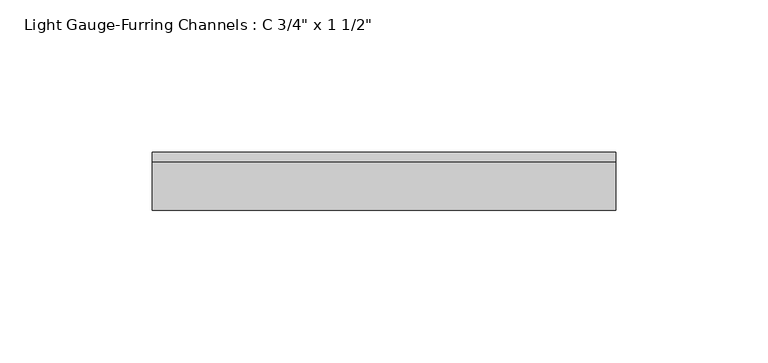
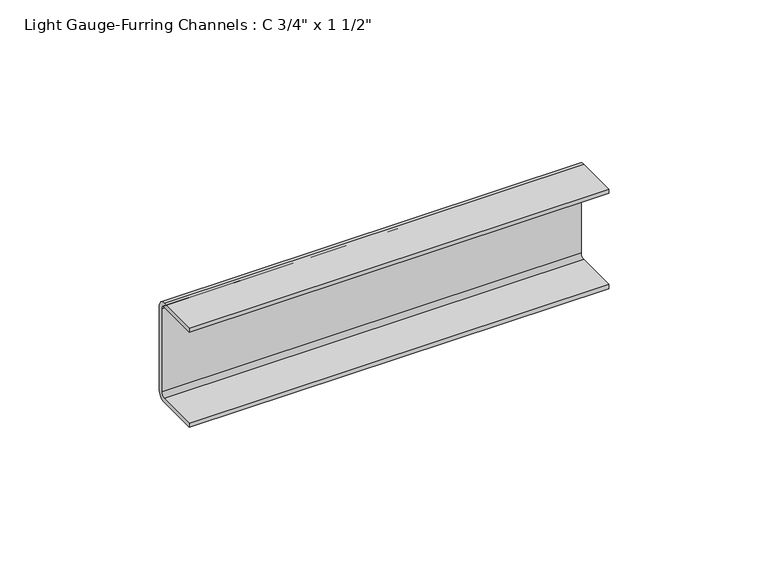
"""IFC4 building model written with IfcOpenShell, lengths in millimetres: beam geometry."""

from ifc_helpers import new_model, si_unit, point, frame, frame_2d, origin, place, context, project, spatial, polyline, circle_curve, trimmed, segment, composite_curve, outline, extrude, source, transform, mapped, element, save


def beam_0d5e214d(model_context):
    return source(origin(), model_context, "Body", "SweptSolid", [
        extrude(outline(composite_curve([segment(trimmed(circle_curve(frame_2d((-3.175, -15.875)), 3.175), [point((0.0, -15.875))], [point((-3.175, -19.05))], False, "CARTESIAN"), True, "CONTINUOUS"), segment(polyline([(-3.175, -19.05), (-19.05, -19.05), (-19.05, -17.4625), (-3.175, -17.4625)]), True, "CONTINUOUS"), segment(trimmed(circle_curve(frame_2d((-3.175, -15.875)), 1.5875), [point((-3.175, -17.4625))], [point((-1.5875, -15.875))], True, "CARTESIAN"), True, "CONTINUOUS"), segment(polyline([(-1.5875, -15.875), (-1.5875, 15.875)]), True, "CONTINUOUS"), segment(trimmed(circle_curve(frame_2d((-3.175, 15.875)), 1.5875), [point((-1.5875, 15.875))], [point((-3.175, 17.4625))], True, "CARTESIAN"), True, "CONTINUOUS"), segment(polyline([(-3.175, 17.4625), (-19.05, 17.4625), (-19.05, 19.05), (-3.175, 19.05)]), True, "CONTINUOUS"), segment(trimmed(circle_curve(frame_2d((-3.175, 15.875)), 3.175), [point((-3.175, 19.05))], [point((0.0, 15.875))], False, "CARTESIAN"), True, "CONTINUOUS"), segment(polyline([(0.0, 15.875), (0.0, -15.875)]), True, "CONTINUOUS")], self_intersect=False)), frame((-76.0673882, 0.0, 0.0), z_axis=(1.0, 0.0, 0.0), x_axis=(0.0, 1.0, 0.0)), (0.0, 0.0, 1.0), 152.1347763),
    ])


if __name__ == "__main__":
    model = new_model("IFC4")
    model_context = context("Model", 3, world=origin())
    ifc_project = project(units=[si_unit("LENGTHUNIT", "METRE", prefix="MILLI")], contexts=[model_context])
    site = spatial("IfcSite", under=ifc_project)
    building = spatial("IfcBuilding", under=site)
    placement = place(None, origin())
    beam_shape = beam_0d5e214d(model_context)
    element("IfcBeam", 1, ObjectType="Light Gauge-Furring Channels : C 3/4\" x 1 1/2\"", at=placement, inside=building, context=model_context, shape_type="MappedRepresentation", body=[
        mapped(beam_shape, transform((0.0, 0.0, 0.0), x_axis=(1.0, 0.0, 0.0), y_axis=(0.0, 1.0, 0.0), z_axis=(0.0, 0.0, 1.0))),
    ])
    save(model, "model.ifc")
